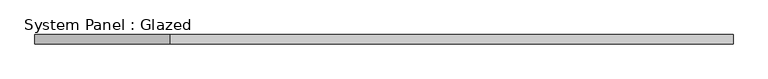
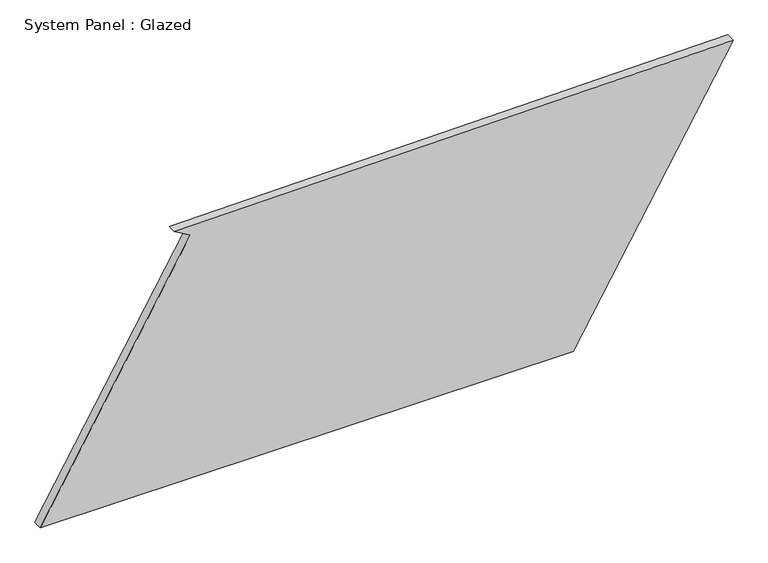
"""IFC4 building model written with IfcOpenShell, lengths in millimetres: plate geometry, System Panel : Glazed."""

import ifcopenshell
import ifcopenshell.guid

model = None  # the IFC model being written
_history = None  # IfcOwnerHistory: only IFC2X3 demands one
_inside = {}  # id of a spatial element -> (the spatial element, [elements in it])
_under = {}  # id of a project, library or spatial element -> (it, [spatial elements below it])
_declared = {}  # id of a project -> (the project, [libraries it declares])
_typed = {}  # id of a type object -> (the type object, [elements of that type])
_made_of = {}  # id of a material, layer set ... -> (it, [elements and type objects made of it])


def new_model(schema):
    """Start an empty IFC model of exactly this schema.

    Asked for "IFC4X3", IfcOpenShell would pick the latest addendum, in which some entities
    have other attributes; the version numbers below select the first issue.
    IFC2X3 requires an IfcOwnerHistory on every rooted entity: one is made here for all.
    """
    global model, _history
    if schema == "IFC4X3":
        model = ifcopenshell.file(schema_version=(4, 3, 0, 0))
    else:
        model = ifcopenshell.file(schema=schema)
    _inside.clear()
    _under.clear()
    _declared.clear()
    _typed.clear()
    _made_of.clear()
    _history = None
    if model.schema == "IFC2X3":
        org = make("IfcOrganization", Name="unknown")
        user = make(
            "IfcPersonAndOrganization",
            ThePerson=make("IfcPerson", FamilyName="unknown"),
            TheOrganization=org,
        )
        app = make(
            "IfcApplication",
            ApplicationDeveloper=org,
            Version="unknown",
            ApplicationFullName="unknown",
            ApplicationIdentifier="unknown",
        )
        _history = make(
            "IfcOwnerHistory",
            OwningUser=user,
            OwningApplication=app,
            ChangeAction="ADDED",
            CreationDate=0,
        )
    return model


def make(cls, **values):
    """One entity of the class cls with the attributes given. An attribute that is None is left unset."""
    return model.create_entity(
        cls, **{name: value for name, value in values.items() if value is not None}
    )


def rooted(cls, **values):
    """An entity with a GlobalId (a new one), such as an element, a storey or a relation."""
    return make(cls, GlobalId=ifcopenshell.guid.new(), OwnerHistory=_history, **values)


def si_unit(unit_type, name, prefix=None):
    """IfcSIUnit, for example si_unit("LENGTHUNIT", "METRE", prefix="MILLI")."""
    return make("IfcSIUnit", UnitType=unit_type, Prefix=prefix, Name=name)


def assignment(units):
    """IfcUnitAssignment: the units of a project."""
    return None if units is None else make("IfcUnitAssignment", Units=units)


def point(xyz):
    """IfcCartesianPoint."""
    return None if xyz is None else make("IfcCartesianPoint", Coordinates=xyz)


def direction(xyz):
    """IfcDirection."""
    return None if xyz is None else make("IfcDirection", DirectionRatios=xyz)


def frame(location, z_axis=None, x_axis=None):
    """IfcAxis2Placement3D, a coordinate frame: its origin and axes. An axis left out is left unset."""
    return make(
        "IfcAxis2Placement3D",
        Location=point(location),
        Axis=direction(z_axis),
        RefDirection=direction(x_axis),
    )


def origin():
    """The frame at (0, 0, 0) with its axes left unset."""
    return frame((0.0, 0.0, 0.0))


def place(relative_to, where):
    """IfcLocalPlacement: puts the frame where relative to a parent placement (None: the world)."""
    return make(
        "IfcLocalPlacement", PlacementRelTo=relative_to, RelativePlacement=where
    )


def context(
    kind, dimensions, precision=None, world=None, true_north=None, identifier=None
):
    """IfcGeometricRepresentationContext, for example the 3D "Model" context."""
    return make(
        "IfcGeometricRepresentationContext",
        ContextIdentifier=identifier,
        ContextType=kind,
        CoordinateSpaceDimension=dimensions,
        Precision=precision,
        WorldCoordinateSystem=world,
        TrueNorth=true_north,
    )


def project(units=None, contexts=None):
    """IfcProject with its units and contexts."""
    return rooted(
        "IfcProject",
        Name="project",
        RepresentationContexts=contexts,
        UnitsInContext=assignment(units),
    )


def spatial(cls, under=None, at=None, **own):
    """A site, building, storey or space (cls), placed at a placement, below another one or the project."""
    s = rooted(cls, ObjectPlacement=at, **own)
    if under is not None:
        _under.setdefault(under.id(), (under, []))[1].append(s)
    return s


def polyline(points):
    """IfcPolyline through the points."""
    return make("IfcPolyline", Points=[point(p) for p in points])


def outline(outer, holes=None, kind="AREA"):
    """IfcArbitraryClosedProfileDef: a profile drawn as a closed curve; with holes, ...WithVoids."""
    if holes is None:
        return make("IfcArbitraryClosedProfileDef", ProfileType=kind, OuterCurve=outer)
    return make(
        "IfcArbitraryProfileDefWithVoids",
        ProfileType=kind,
        OuterCurve=outer,
        InnerCurves=holes,
    )


def extrude(swept, where, along, depth):
    """IfcExtrudedAreaSolid: the profile swept, set in the frame where, extruded along a direction by depth."""
    return make(
        "IfcExtrudedAreaSolid",
        SweptArea=swept,
        Position=where,
        ExtrudedDirection=direction(along),
        Depth=depth,
    )


def shape(context_of_items, identifier, shape_type, items):
    """IfcShapeRepresentation: the items that make up one representation, for example the "Body"."""
    return make(
        "IfcShapeRepresentation",
        ContextOfItems=context_of_items,
        RepresentationIdentifier=identifier,
        RepresentationType=shape_type,
        Items=items,
    )


def source(mapping_origin, context_of_items, identifier, shape_type, items):
    """IfcRepresentationMap: a shape defined once, which mapped items show again and again."""
    return make(
        "IfcRepresentationMap",
        MappingOrigin=mapping_origin,
        MappedRepresentation=shape(context_of_items, identifier, shape_type, items),
    )


def transform(
    local_origin,
    x_axis=None,
    y_axis=None,
    z_axis=None,
    scale=None,
    scale2=None,
    scale3=None,
    uniform=True,
):
    """IfcCartesianTransformationOperator3D, or its non-uniform kind. x_axis, y_axis, z_axis: its Axis1, 2, 3."""
    if uniform:
        return make(
            "IfcCartesianTransformationOperator3D",
            Axis1=direction(x_axis),
            Axis2=direction(y_axis),
            LocalOrigin=point(local_origin),
            Scale=scale,
            Axis3=direction(z_axis),
        )
    return make(
        "IfcCartesianTransformationOperator3DnonUniform",
        Axis1=direction(x_axis),
        Axis2=direction(y_axis),
        LocalOrigin=point(local_origin),
        Scale=scale,
        Axis3=direction(z_axis),
        Scale2=scale2,
        Scale3=scale3,
    )


def mapped(mapping_source, mapping_target):
    """IfcMappedItem: shows the shape of a source again, moved by a transform."""
    return make(
        "IfcMappedItem", MappingSource=mapping_source, MappingTarget=mapping_target
    )


def made_of(thing, what):
    """Note that an element or type object is made of a material, layer set ...; save() writes the relation."""
    if what is not None:
        _made_of.setdefault(what.id(), (what, []))[1].append(thing)
    return thing


def element(
    cls,
    number,
    at=None,
    inside=None,
    cuts=None,
    type_object=None,
    material=None,
    context=None,
    identifier="Body",
    shape_type=None,
    held_by="IfcProductDefinitionShape",
    body=None,
    shapes=None,
    **own,
):
    """One element of the class cls, such as IfcWall. Its Tag is "e" and its number.

    at: its placement. inside: the storey or other place that contains it. cuts: it is an
    opening in that element (IfcRelVoidsElement). A single representation is given by context,
    identifier, shape_type and body (its items); several are given by shapes. held_by: the class
    of the entity that holds the representations. save() writes the other relations.
    """
    e = rooted(cls, Tag="e%d" % number, ObjectPlacement=at, **own)
    if body is not None:
        shapes = [shape(context, identifier, shape_type, body)]
    if shapes is not None:
        e.Representation = make(held_by, Representations=shapes)
    if inside is not None:
        _inside.setdefault(inside.id(), (inside, []))[1].append(e)
    if cuts is not None:
        rooted(
            "IfcRelVoidsElement", RelatingBuildingElement=cuts, RelatedOpeningElement=e
        )
    if type_object is not None:
        _typed.setdefault(type_object.id(), (type_object, []))[1].append(e)
    return made_of(e, material)


def aggregate(whole, parts):
    """IfcRelAggregates: a whole, such as a stair, and the parts it consists of."""
    return rooted("IfcRelAggregates", RelatingObject=whole, RelatedObjects=parts)


def save(model, path):
    """Write the relations noted so far, then the file.

    IfcRelAggregates (storeys below a building ...), IfcRelContainedInSpatialStructure (elements
    in a storey), IfcRelDefinesByType, IfcRelAssociatesMaterial and IfcRelDeclares: one each for
    every whole, place, type object, material and project.
    """
    for whole, parts in _under.values():
        aggregate(whole, parts)
    for where, things in _inside.values():
        rooted(
            "IfcRelContainedInSpatialStructure",
            RelatedElements=things,
            RelatingStructure=where,
        )
    for kind, things in _typed.values():
        rooted("IfcRelDefinesByType", RelatedObjects=things, RelatingType=kind)
    for what, things in _made_of.values():
        rooted("IfcRelAssociatesMaterial", RelatedObjects=things, RelatingMaterial=what)
    for by, libraries in _declared.values():
        rooted("IfcRelDeclares", RelatingContext=by, RelatedDefinitions=libraries)
    model.write(path)


def system_panel_glazed_cb87ff17(model_context):
    return source(origin(), model_context, "Body", "SweptSolid", [
        extrude(outline(polyline([(0.0, -945.4989585), (0.0, 508.7489394), (746.0421066, 945.4989585), (726.5356845, -579.4933256), (701.3385344, -536.3064801), (0.0, -945.4989585)])), frame((0.0, -49.5, 0.0), z_axis=(0.0, 1.0, 0.0), x_axis=(0.0, 0.0, 1.0)), (0.0, 0.0, 1.0), 25.0),
    ])


if __name__ == "__main__":
    model = new_model("IFC4")
    model_context = context("Model", 3, world=origin())
    ifc_project = project(units=[si_unit("LENGTHUNIT", "METRE", prefix="MILLI")], contexts=[model_context])
    site = spatial("IfcSite", under=ifc_project)
    building = spatial("IfcBuilding", under=site)
    placement = place(None, origin())
    system_panel_glazed_shape = system_panel_glazed_cb87ff17(model_context)
    element("IfcPlate", 1, ObjectType="System Panel : Glazed", at=placement, inside=building, context=model_context, shape_type="MappedRepresentation", body=[
        mapped(system_panel_glazed_shape, transform((0.0, 0.0, 0.0), x_axis=(1.0, 0.0, 0.0), y_axis=(0.0, 1.0, 0.0), z_axis=(0.0, 0.0, 1.0))),
    ])
    save(model, "model.ifc")
